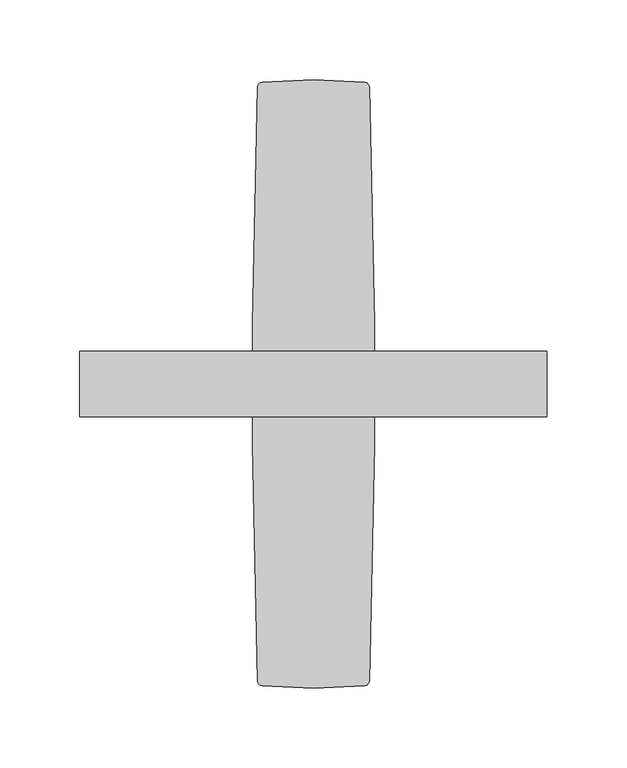
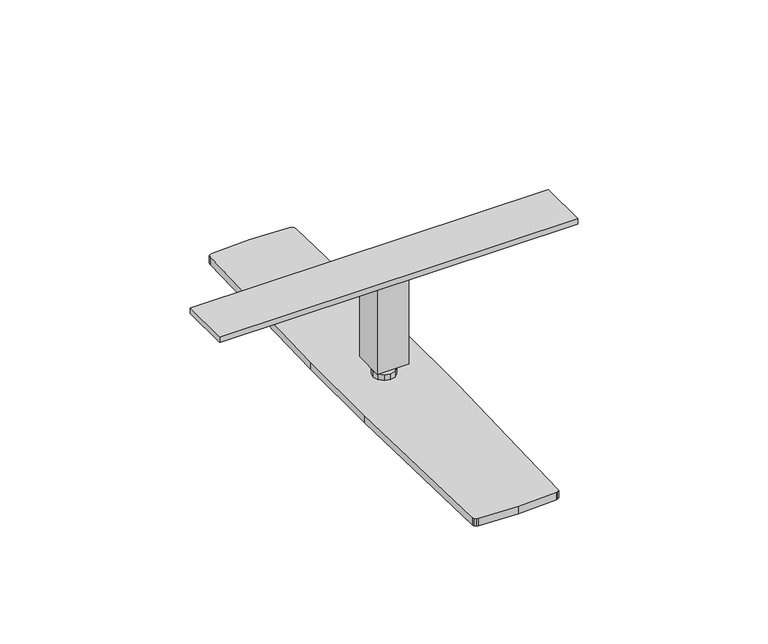
"""IFC4 building model written with IfcOpenShell, lengths in millimetres: furniture geometry."""

from ifc_helpers import new_model, si_unit, frame, origin, origin_with_axes, place, context, project, spatial, polyline, outline, extrude, source, transform, mapped, element, save


def furniture_fdebd3b2(model_context):
    return source(origin(), model_context, "Body", "SweptSolid", [
        extrude(outline(polyline([(-5.3e-06, -34.4657499), (2.355198, -35.0968251), (4.0793264, -36.8209523), (4.7104013, -39.1761546), (4.0793264, -41.5313615), (2.355198, -43.2554887), (-5.3e-06, -43.8865639), (-2.3552086, -43.2554887), (-4.0793372, -41.5313615), (-4.7104118, -39.1761546), (-4.0793372, -36.8209523), (-2.3552086, -35.0968251), (-5.3e-06, -34.4657499)])), frame((0.0, 0.0, 11.2494121), z_axis=(0.0, 0.0, 1.0), x_axis=(1.0, 0.0, 0.0)), (0.0, 0.0, 1.0), 40.2605479),
        extrude(outline(polyline([(-5.3e-06, -30.0715868), (4.5522788, -31.2913684), (7.8847823, -34.6238707), (9.1045633, -39.1761546), (7.8847823, -43.7284385), (4.5522788, -47.0609432), (-5.3e-06, -48.2807224), (-4.5522896, -47.0609432), (-7.8847931, -43.7284385), (-9.1045735, -39.1761546), (-7.8847931, -34.6238707), (-4.5522896, -31.2913684), (-5.3e-06, -30.0715868)])), frame((0.0, 0.0, 6.3502046), z_axis=(0.0, 0.0, 1.0), x_axis=(1.0, 0.0, 0.0)), (0.0, 0.0, 1.0), 4.8992076),
        extrude(outline(polyline([(12.6999958, -26.4507572), (12.6999958, -51.9015589), (-12.7000038, -51.9015589), (-12.7000038, -26.4507572), (12.6999958, -26.4507572)])), frame((0.0, 0.0, 17.3990004), z_axis=(0.0, 0.0, 1.0), x_axis=(1.0, 0.0, 0.0)), (0.0, 0.0, 1.0), 79.197102),
        extrude(outline(polyline([(-146.2658995, -18.4785005), (146.2658904, -18.4785005), (146.2658904, -59.7535021), (-146.2658995, -59.7535021), (-146.2658995, -18.4785005)])), frame((0.0, 0.0, 96.5962023), z_axis=(0.0, 0.0, 1.0), x_axis=(1.0, 0.0, 0.0)), (0.0, 0.0, 1.0), 4.7498009),
        extrude(outline(polyline([(-2.3e-06, 151.1300012), (31.9575024, 149.6773828), (33.4643378, 149.2176361), (34.5646837, 148.0901795), (34.9876275, 146.5726032), (38.1, -1.0161077), (38.1, -77.2158913), (34.9876275, -224.8045921), (34.5646837, -226.3221776), (33.4643378, -227.4496342), (31.9575024, -227.9093808), (-2.3e-06, -229.3619993), (-31.9575061, -227.9093808), (-33.4643409, -227.4496342), (-34.5646871, -226.3221776), (-34.9876309, -224.8045921), (-38.1, -77.215999), (-38.1, -1.016), (-34.9876309, 146.5726032), (-34.5646871, 148.0901795), (-33.4643409, 149.2176361), (-31.9575061, 149.6773828), (-2.3e-06, 151.1300012)])), origin_with_axes(), (0.0, 0.0, 1.0), 6.3500002),
        extrude(outline(polyline([(38.1, -1.016), (38.1, -77.216), (-38.1, -77.216), (-38.1, -1.016), (38.1, -1.016)])), origin_with_axes(), (0.0, 0.0, 1.0), 6.3500002),
    ])


if __name__ == "__main__":
    model = new_model("IFC4")
    model_context = context("Model", 3, world=origin())
    ifc_project = project(units=[si_unit("LENGTHUNIT", "METRE", prefix="MILLI")], contexts=[model_context])
    site = spatial("IfcSite", under=ifc_project)
    building = spatial("IfcBuilding", under=site)
    placement = place(None, origin())
    furniture_shape = furniture_fdebd3b2(model_context)
    element("IfcFurniture", 1, at=placement, inside=building, context=model_context, shape_type="MappedRepresentation", body=[
        mapped(furniture_shape, transform((0.0, 0.0, 0.0), x_axis=(1.0, 0.0, 0.0), y_axis=(0.0, 1.0, 0.0), z_axis=(0.0, 0.0, 1.0))),
    ])
    save(model, "model.ifc")
